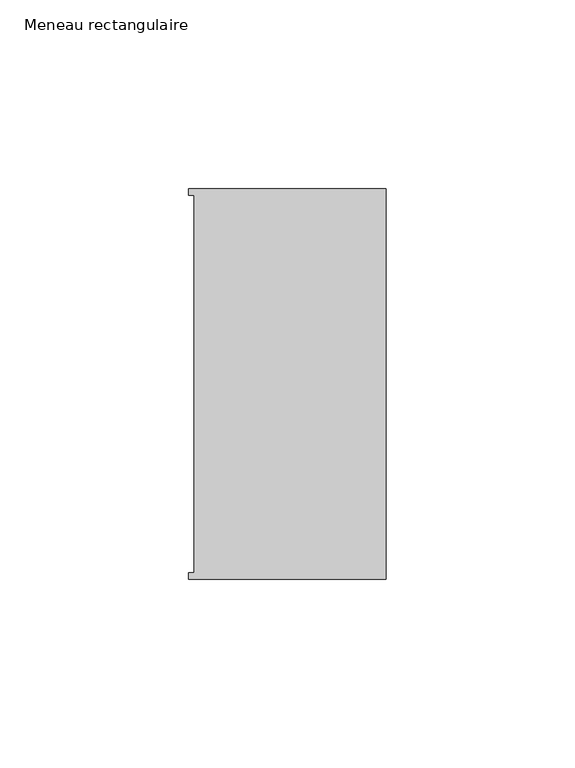
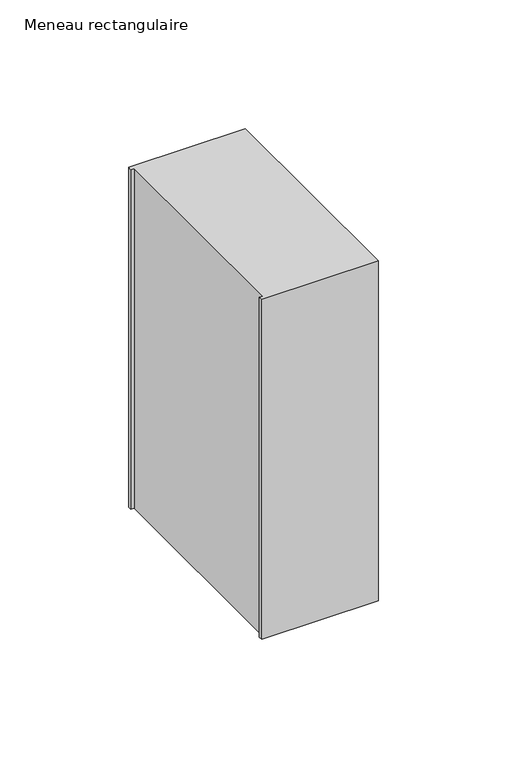
"""IFC4 building model written with IfcOpenShell, lengths in millimetres: member geometry, Meneau rectangulaire."""

import ifcopenshell
import ifcopenshell.guid

model = None  # the IFC model being written
_history = None  # IfcOwnerHistory: only IFC2X3 demands one
_inside = {}  # id of a spatial element -> (the spatial element, [elements in it])
_under = {}  # id of a project, library or spatial element -> (it, [spatial elements below it])
_declared = {}  # id of a project -> (the project, [libraries it declares])
_typed = {}  # id of a type object -> (the type object, [elements of that type])
_made_of = {}  # id of a material, layer set ... -> (it, [elements and type objects made of it])


def new_model(schema):
    """Start an empty IFC model of exactly this schema.

    Asked for "IFC4X3", IfcOpenShell would pick the latest addendum, in which some entities
    have other attributes; the version numbers below select the first issue.
    IFC2X3 requires an IfcOwnerHistory on every rooted entity: one is made here for all.
    """
    global model, _history
    if schema == "IFC4X3":
        model = ifcopenshell.file(schema_version=(4, 3, 0, 0))
    else:
        model = ifcopenshell.file(schema=schema)
    _inside.clear()
    _under.clear()
    _declared.clear()
    _typed.clear()
    _made_of.clear()
    _history = None
    if model.schema == "IFC2X3":
        org = make("IfcOrganization", Name="unknown")
        user = make(
            "IfcPersonAndOrganization",
            ThePerson=make("IfcPerson", FamilyName="unknown"),
            TheOrganization=org,
        )
        app = make(
            "IfcApplication",
            ApplicationDeveloper=org,
            Version="unknown",
            ApplicationFullName="unknown",
            ApplicationIdentifier="unknown",
        )
        _history = make(
            "IfcOwnerHistory",
            OwningUser=user,
            OwningApplication=app,
            ChangeAction="ADDED",
            CreationDate=0,
        )
    return model


def make(cls, **values):
    """One entity of the class cls with the attributes given. An attribute that is None is left unset."""
    return model.create_entity(
        cls, **{name: value for name, value in values.items() if value is not None}
    )


def rooted(cls, **values):
    """An entity with a GlobalId (a new one), such as an element, a storey or a relation."""
    return make(cls, GlobalId=ifcopenshell.guid.new(), OwnerHistory=_history, **values)


def si_unit(unit_type, name, prefix=None):
    """IfcSIUnit, for example si_unit("LENGTHUNIT", "METRE", prefix="MILLI")."""
    return make("IfcSIUnit", UnitType=unit_type, Prefix=prefix, Name=name)


def assignment(units):
    """IfcUnitAssignment: the units of a project."""
    return None if units is None else make("IfcUnitAssignment", Units=units)


def point(xyz):
    """IfcCartesianPoint."""
    return None if xyz is None else make("IfcCartesianPoint", Coordinates=xyz)


def direction(xyz):
    """IfcDirection."""
    return None if xyz is None else make("IfcDirection", DirectionRatios=xyz)


def frame(location, z_axis=None, x_axis=None):
    """IfcAxis2Placement3D, a coordinate frame: its origin and axes. An axis left out is left unset."""
    return make(
        "IfcAxis2Placement3D",
        Location=point(location),
        Axis=direction(z_axis),
        RefDirection=direction(x_axis),
    )


def origin():
    """The frame at (0, 0, 0) with its axes left unset."""
    return frame((0.0, 0.0, 0.0))


def place(relative_to, where):
    """IfcLocalPlacement: puts the frame where relative to a parent placement (None: the world)."""
    return make(
        "IfcLocalPlacement", PlacementRelTo=relative_to, RelativePlacement=where
    )


def context(
    kind, dimensions, precision=None, world=None, true_north=None, identifier=None
):
    """IfcGeometricRepresentationContext, for example the 3D "Model" context."""
    return make(
        "IfcGeometricRepresentationContext",
        ContextIdentifier=identifier,
        ContextType=kind,
        CoordinateSpaceDimension=dimensions,
        Precision=precision,
        WorldCoordinateSystem=world,
        TrueNorth=true_north,
    )


def project(units=None, contexts=None):
    """IfcProject with its units and contexts."""
    return rooted(
        "IfcProject",
        Name="project",
        RepresentationContexts=contexts,
        UnitsInContext=assignment(units),
    )


def spatial(cls, under=None, at=None, **own):
    """A site, building, storey or space (cls), placed at a placement, below another one or the project."""
    s = rooted(cls, ObjectPlacement=at, **own)
    if under is not None:
        _under.setdefault(under.id(), (under, []))[1].append(s)
    return s


def polyline(points):
    """IfcPolyline through the points."""
    return make("IfcPolyline", Points=[point(p) for p in points])


def outline(outer, holes=None, kind="AREA"):
    """IfcArbitraryClosedProfileDef: a profile drawn as a closed curve; with holes, ...WithVoids."""
    if holes is None:
        return make("IfcArbitraryClosedProfileDef", ProfileType=kind, OuterCurve=outer)
    return make(
        "IfcArbitraryProfileDefWithVoids",
        ProfileType=kind,
        OuterCurve=outer,
        InnerCurves=holes,
    )


def extrude(swept, where, along, depth):
    """IfcExtrudedAreaSolid: the profile swept, set in the frame where, extruded along a direction by depth."""
    return make(
        "IfcExtrudedAreaSolid",
        SweptArea=swept,
        Position=where,
        ExtrudedDirection=direction(along),
        Depth=depth,
    )


def shape(context_of_items, identifier, shape_type, items):
    """IfcShapeRepresentation: the items that make up one representation, for example the "Body"."""
    return make(
        "IfcShapeRepresentation",
        ContextOfItems=context_of_items,
        RepresentationIdentifier=identifier,
        RepresentationType=shape_type,
        Items=items,
    )


def source(mapping_origin, context_of_items, identifier, shape_type, items):
    """IfcRepresentationMap: a shape defined once, which mapped items show again and again."""
    return make(
        "IfcRepresentationMap",
        MappingOrigin=mapping_origin,
        MappedRepresentation=shape(context_of_items, identifier, shape_type, items),
    )


def transform(
    local_origin,
    x_axis=None,
    y_axis=None,
    z_axis=None,
    scale=None,
    scale2=None,
    scale3=None,
    uniform=True,
):
    """IfcCartesianTransformationOperator3D, or its non-uniform kind. x_axis, y_axis, z_axis: its Axis1, 2, 3."""
    if uniform:
        return make(
            "IfcCartesianTransformationOperator3D",
            Axis1=direction(x_axis),
            Axis2=direction(y_axis),
            LocalOrigin=point(local_origin),
            Scale=scale,
            Axis3=direction(z_axis),
        )
    return make(
        "IfcCartesianTransformationOperator3DnonUniform",
        Axis1=direction(x_axis),
        Axis2=direction(y_axis),
        LocalOrigin=point(local_origin),
        Scale=scale,
        Axis3=direction(z_axis),
        Scale2=scale2,
        Scale3=scale3,
    )


def mapped(mapping_source, mapping_target):
    """IfcMappedItem: shows the shape of a source again, moved by a transform."""
    return make(
        "IfcMappedItem", MappingSource=mapping_source, MappingTarget=mapping_target
    )


def made_of(thing, what):
    """Note that an element or type object is made of a material, layer set ...; save() writes the relation."""
    if what is not None:
        _made_of.setdefault(what.id(), (what, []))[1].append(thing)
    return thing


def element(
    cls,
    number,
    at=None,
    inside=None,
    cuts=None,
    type_object=None,
    material=None,
    context=None,
    identifier="Body",
    shape_type=None,
    held_by="IfcProductDefinitionShape",
    body=None,
    shapes=None,
    **own,
):
    """One element of the class cls, such as IfcWall. Its Tag is "e" and its number.

    at: its placement. inside: the storey or other place that contains it. cuts: it is an
    opening in that element (IfcRelVoidsElement). A single representation is given by context,
    identifier, shape_type and body (its items); several are given by shapes. held_by: the class
    of the entity that holds the representations. save() writes the other relations.
    """
    e = rooted(cls, Tag="e%d" % number, ObjectPlacement=at, **own)
    if body is not None:
        shapes = [shape(context, identifier, shape_type, body)]
    if shapes is not None:
        e.Representation = make(held_by, Representations=shapes)
    if inside is not None:
        _inside.setdefault(inside.id(), (inside, []))[1].append(e)
    if cuts is not None:
        rooted(
            "IfcRelVoidsElement", RelatingBuildingElement=cuts, RelatedOpeningElement=e
        )
    if type_object is not None:
        _typed.setdefault(type_object.id(), (type_object, []))[1].append(e)
    return made_of(e, material)


def aggregate(whole, parts):
    """IfcRelAggregates: a whole, such as a stair, and the parts it consists of."""
    return rooted("IfcRelAggregates", RelatingObject=whole, RelatedObjects=parts)


def save(model, path):
    """Write the relations noted so far, then the file.

    IfcRelAggregates (storeys below a building ...), IfcRelContainedInSpatialStructure (elements
    in a storey), IfcRelDefinesByType, IfcRelAssociatesMaterial and IfcRelDeclares: one each for
    every whole, place, type object, material and project.
    """
    for whole, parts in _under.values():
        aggregate(whole, parts)
    for where, things in _inside.values():
        rooted(
            "IfcRelContainedInSpatialStructure",
            RelatedElements=things,
            RelatingStructure=where,
        )
    for kind, things in _typed.values():
        rooted("IfcRelDefinesByType", RelatedObjects=things, RelatingType=kind)
    for what, things in _made_of.values():
        rooted("IfcRelAssociatesMaterial", RelatedObjects=things, RelatingMaterial=what)
    for by, libraries in _declared.values():
        rooted("IfcRelDeclares", RelatingContext=by, RelatedDefinitions=libraries)
    model.write(path)


def meneau_rectangulaire_bf38dd7d(model_context):
    return source(origin(), model_context, "Body", "SweptSolid", [
        extrude(outline(polyline([(-52.3, 51.6531441), (0.0, 51.6531441), (0.0, -51.6130012), (-52.3, -51.6130012), (-52.3, -49.9174099), (-50.9, -49.9174099), (-50.9, 49.9174073), (-52.3, 49.9174073), (-52.3, 51.6531441)])), frame((0.0, 0.0, -161.1896591), z_axis=(0.0, 0.0, 1.0), x_axis=(1.0, 0.0, 0.0)), (0.0, 0.0, 1.0), 161.1896591),
    ])


if __name__ == "__main__":
    model = new_model("IFC4")
    model_context = context("Model", 3, world=origin())
    ifc_project = project(units=[si_unit("LENGTHUNIT", "METRE", prefix="MILLI")], contexts=[model_context])
    site = spatial("IfcSite", under=ifc_project)
    building = spatial("IfcBuilding", under=site)
    placement = place(None, origin())
    meneau_rectangulaire_shape = meneau_rectangulaire_bf38dd7d(model_context)
    element("IfcMember", 1, ObjectType="Meneau rectangulaire", at=placement, inside=building, context=model_context, shape_type="MappedRepresentation", body=[
        mapped(meneau_rectangulaire_shape, transform((0.0, 0.0, 0.0), x_axis=(1.0, 0.0, 0.0), y_axis=(0.0, 1.0, 0.0), z_axis=(0.0, 0.0, 1.0))),
    ])
    save(model, "model.ifc")
